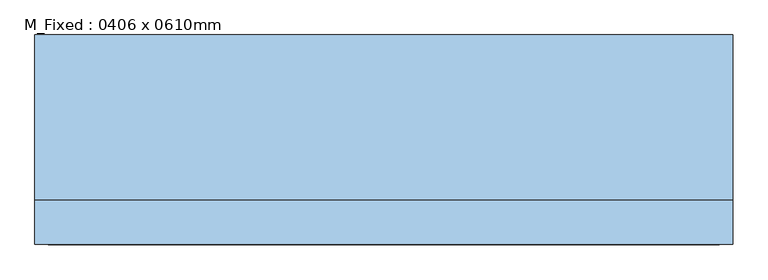
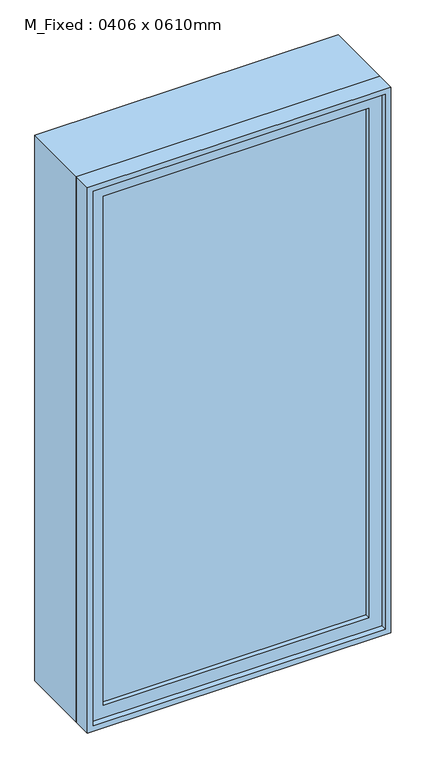
"""IFC4 building model written with IfcOpenShell, lengths in millimetres: window geometry, M_Fixed : 0406 x 0610mm."""

from ifc_helpers import new_model, si_unit, frame, origin, place, context, project, spatial, polyline, outline, extrude, source, transform, mapped, element, save


def m_fixed_0406_x_0610mm_d613ae25(model_context):
    return source(origin(), model_context, "Body", "SweptSolid", [
        extrude(outline(polyline([(-437.0, -128.0), (-437.0, -116.0), (437.0, -116.0), (437.0, -128.0), (-437.0, -128.0)])), frame((0.0, 0.0, 263.0), z_axis=(0.0, 0.0, 1.0), x_axis=(1.0, 0.0, 0.0)), (0.0, 0.0, 1.0), 1774.0),
        extrude(outline(polyline([(2081.0, -481.0), (219.0, -481.0), (219.0, 481.0), (2081.0, 481.0), (2081.0, -481.0)]), holes=[polyline([(2037.0, -437.0), (2037.0, 437.0), (263.0, 437.0), (263.0, -437.0), (2037.0, -437.0)])]), frame((0.0, -144.0, 0.0), z_axis=(0.0, 1.0, 0.0), x_axis=(0.0, 0.0, 1.0)), (0.0, 0.0, 1.0), 44.0),
        extrude(outline(polyline([(2100.0, -500.0), (200.0, -500.0), (200.0, 500.0), (2100.0, 500.0), (2100.0, -500.0)]), holes=[polyline([(2081.0, -481.0), (2081.0, 481.0), (219.0, 481.0), (219.0, -481.0), (2081.0, -481.0)])]), frame((0.0, -163.0, 0.0), z_axis=(0.0, 1.0, 0.0), x_axis=(0.0, 0.0, 1.0)), (0.0, 0.0, 1.0), 63.0),
        extrude(outline(polyline([(2100.0, -500.0), (200.0, -500.0), (200.0, 500.0), (2100.0, 500.0), (2100.0, -500.0)]), holes=[polyline([(2068.0, -468.0), (2068.0, 468.0), (232.0, 468.0), (232.0, -468.0), (2068.0, -468.0)])]), frame((0.0, -100.0, 0.0), z_axis=(0.0, 1.0, 0.0), x_axis=(0.0, 0.0, 1.0)), (0.0, 0.0, 1.0), 237.0),
    ])


if __name__ == "__main__":
    model = new_model("IFC4")
    model_context = context("Model", 3, world=origin())
    ifc_project = project(units=[si_unit("LENGTHUNIT", "METRE", prefix="MILLI")], contexts=[model_context])
    site = spatial("IfcSite", under=ifc_project)
    building = spatial("IfcBuilding", under=site)
    placement = place(None, origin())
    m_fixed_0406_x_0610mm_shape = m_fixed_0406_x_0610mm_d613ae25(model_context)
    element("IfcWindow", 1, ObjectType="M_Fixed : 0406 x 0610mm", at=placement, inside=building, context=model_context, shape_type="MappedRepresentation", body=[
        mapped(m_fixed_0406_x_0610mm_shape, transform((0.0, 0.0, 0.0), x_axis=(1.0, 0.0, 0.0), y_axis=(0.0, 1.0, 0.0), z_axis=(0.0, 0.0, 1.0))),
    ])
    save(model, "model.ifc")
